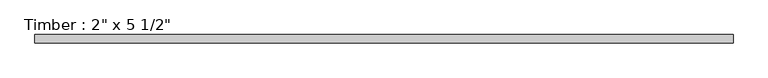
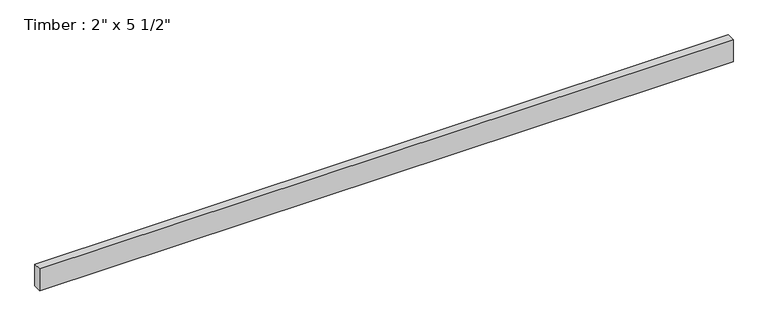
"""IFC4 building model written with IfcOpenShell, lengths in millimetres: beam geometry."""

from ifc_helpers import new_model, si_unit, frame, origin, place, context, project, spatial, polyline, outline, extrude, source, transform, mapped, element, save


def beam_fc09867a(model_context):
    return source(origin(), model_context, "Body", "SweptSolid", [
        extrude(outline(polyline([(2094.1879932, 25.4), (2094.1879932, -25.4), (-2094.1879938, -25.4), (-2094.1879938, 25.4), (2094.1879932, 25.4)])), frame((0.0, 0.0, -69.85), z_axis=(0.0, 0.0, 1.0), x_axis=(1.0, 0.0, 0.0)), (0.0, 0.0, 1.0), 139.7),
    ])


if __name__ == "__main__":
    model = new_model("IFC4")
    model_context = context("Model", 3, world=origin())
    ifc_project = project(units=[si_unit("LENGTHUNIT", "METRE", prefix="MILLI")], contexts=[model_context])
    site = spatial("IfcSite", under=ifc_project)
    building = spatial("IfcBuilding", under=site)
    placement = place(None, origin())
    beam_shape = beam_fc09867a(model_context)
    element("IfcBeam", 1, ObjectType="Timber : 2\" x 5 1/2\"", at=placement, inside=building, context=model_context, shape_type="MappedRepresentation", body=[
        mapped(beam_shape, transform((0.0, 0.0, 0.0), x_axis=(1.0, 0.0, 0.0), y_axis=(0.0, 1.0, 0.0), z_axis=(0.0, 0.0, 1.0))),
    ])
    save(model, "model.ifc")
